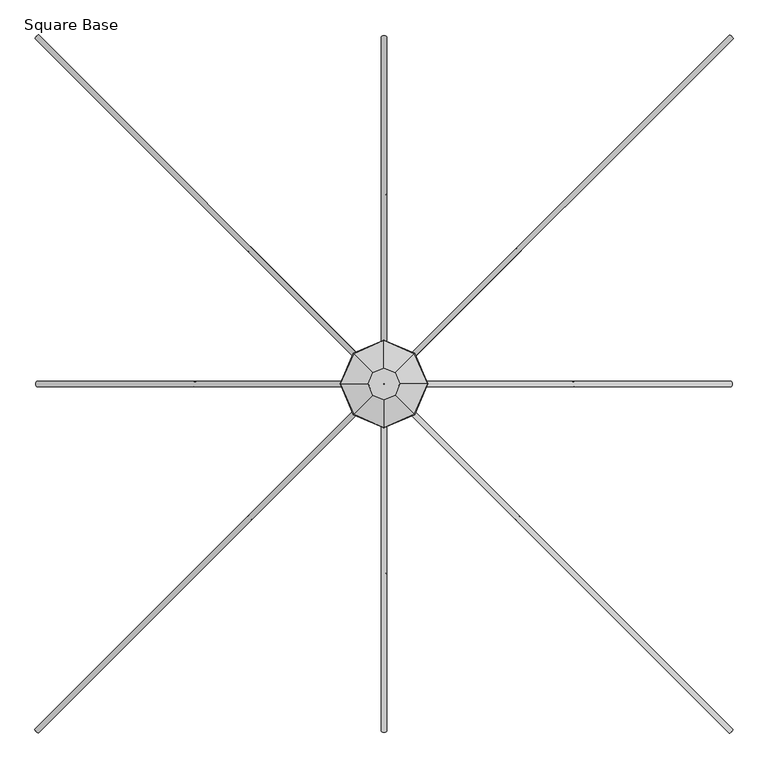
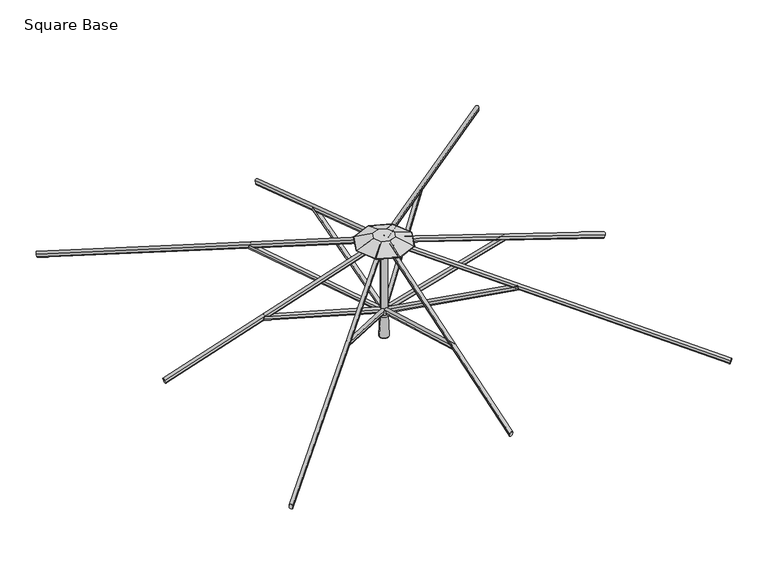
"""IFC4 building model written with IfcOpenShell, lengths in millimetres: furniture geometry, Square Base."""

from ifc_helpers import new_model, si_unit, point, frame, frame_2d, origin, place, context, project, spatial, polyline, circle_curve, ellipse_curve, trimmed, segment, composite_curve, outline, extrude, source, transform, mapped, element, save
from ifc_brep_helpers import plane_surface, cylinder_surface, revolved_surface, advanced_brep


def square_base_0a665b4c(model_context):
    return source(origin(), model_context, "Body", "SolidModel", [
        extrude(outline(composite_curve([segment(polyline([(12.9834408, -8.4804821), (12.9834408, -22.8946349)]), True, "CONTINUOUS"), segment(trimmed(circle_curve(frame_2d((4.0299408, -22.8946349)), 8.9535), [point((12.9834408, -22.8946349))], [point((-4.9235592, -22.8946349))], False, "CARTESIAN"), True, "CONTINUOUS"), segment(polyline([(-4.9235592, -22.8946349), (-4.9235592, -8.4804821)]), True, "CONTINUOUS"), segment(trimmed(circle_curve(frame_2d((4.0299408, -8.4804821)), 8.9535), [point((-4.9235592, -8.4804821))], [point((12.9834408, -8.4804821))], False, "CARTESIAN"), True, "CONTINUOUS")], self_intersect=False)), frame((4.0299408, -32.8443862, 2016.9430412), z_axis=(0.0, -0.9618942046764378, 0.2734219066020191), x_axis=(-1.0, 0.0, 0.0)), (0.0, 0.0, 1.0), 673.1),
        extrude(outline(composite_curve([segment(polyline([(12.9834408, -8.4804821), (12.9834408, -22.8946349)]), True, "CONTINUOUS"), segment(trimmed(circle_curve(frame_2d((4.0299408, -22.8946349)), 8.9535), [point((12.9834408, -22.8946349))], [point((-4.9235592, -22.8946349))], False, "CARTESIAN"), True, "CONTINUOUS"), segment(polyline([(-4.9235592, -22.8946349), (-4.9235592, -8.4804821)]), True, "CONTINUOUS"), segment(trimmed(circle_curve(frame_2d((4.0299408, -8.4804821)), 8.9535), [point((-4.9235592, -8.4804821))], [point((12.9834408, -8.4804821))], False, "CARTESIAN"), True, "CONTINUOUS")], self_intersect=False)), frame((-28.8144454, -8.0598816, 2016.9430412), z_axis=(-0.9618942046764378, 0.0, 0.2734219066020191), x_axis=(0.0, 1.0, 0.0)), (0.0, 0.0, 1.0), 673.1),
        extrude(outline(composite_curve([segment(polyline([(12.9834408, -8.4804821), (12.9834408, -22.8946349)]), True, "CONTINUOUS"), segment(trimmed(circle_curve(frame_2d((4.0299408, -22.8946349)), 8.9535), [point((12.9834408, -22.8946349))], [point((-4.9235592, -22.8946349))], False, "CARTESIAN"), True, "CONTINUOUS"), segment(polyline([(-4.9235592, -22.8946349), (-4.9235592, -8.4804821)]), True, "CONTINUOUS"), segment(trimmed(circle_curve(frame_2d((4.0299408, -8.4804821)), 8.9535), [point((-4.9235592, -8.4804821))], [point((12.9834408, -8.4804821))], False, "CARTESIAN"), True, "CONTINUOUS")], self_intersect=False)), frame((-4.0299408, 24.7845046, 2016.9430412), z_axis=(0.0, 0.9618942046764378, 0.2734219066020191), x_axis=(1.0, 0.0, 0.0)), (0.0, 0.0, 1.0), 673.1),
        extrude(outline(composite_curve([segment(trimmed(circle_curve(frame_2d((4.0299408, 7.3267917)), 8.9535), [point((12.9834408, 7.3267917))], [point((-4.9235592, 7.3267917))], False, "CARTESIAN"), True, "CONTINUOUS"), segment(polyline([(-4.9235592, 7.3267917), (-4.9235592, 21.7411303)]), True, "CONTINUOUS"), segment(trimmed(circle_curve(frame_2d((4.0299408, 21.7411303)), 8.9535), [point((-4.9235592, 21.7411303))], [point((12.9834408, 21.7411303))], False, "CARTESIAN"), True, "CONTINUOUS"), segment(polyline([(12.9834408, 21.7411303), (12.9834408, 7.3267917)]), True, "CONTINUOUS")], self_intersect=False)), frame((4.0299408, -1221.9652781, 2021.9166491), z_axis=(0.0, 0.9498609859621477, 0.31267252413190505), x_axis=(-1.0, 0.0, 0.0)), (0.0, 0.0, 1.0), 1244.6),
        extrude(outline(composite_curve([segment(trimmed(circle_curve(frame_2d((4.0299408, 7.3267917)), 8.9535), [point((12.9834408, 7.3267917))], [point((-4.9235592, 7.3267917))], False, "CARTESIAN"), True, "CONTINUOUS"), segment(polyline([(-4.9235592, 7.3267917), (-4.9235592, 21.7411303)]), True, "CONTINUOUS"), segment(trimmed(circle_curve(frame_2d((4.0299408, 21.7411303)), 8.9535), [point((-4.9235592, 21.7411303))], [point((12.9834408, 21.7411303))], False, "CARTESIAN"), True, "CONTINUOUS"), segment(polyline([(12.9834408, 21.7411303), (12.9834408, 7.3267917)]), True, "CONTINUOUS")], self_intersect=False)), frame((-1217.9353374, -8.0598816, 2021.9166491), z_axis=(0.9498609859621477, 0.0, 0.31267252413190505), x_axis=(0.0, 1.0, 0.0)), (0.0, 0.0, 1.0), 1244.6),
        extrude(outline(composite_curve([segment(trimmed(circle_curve(frame_2d((4.0299408, 7.3267917)), 8.9535), [point((12.9834408, 7.3267917))], [point((-4.9235592, 7.3267917))], False, "CARTESIAN"), True, "CONTINUOUS"), segment(polyline([(-4.9235592, 7.3267917), (-4.9235592, 21.7411303)]), True, "CONTINUOUS"), segment(trimmed(circle_curve(frame_2d((4.0299408, 21.7411303)), 8.9535), [point((-4.9235592, 21.7411303))], [point((12.9834408, 21.7411303))], False, "CARTESIAN"), True, "CONTINUOUS"), segment(polyline([(12.9834408, 21.7411303), (12.9834408, 7.3267917)]), True, "CONTINUOUS")], self_intersect=False)), frame((-4.0299408, 1213.9053966, 2021.9166491), z_axis=(0.0, -0.9498609859621477, 0.31267252413190505), x_axis=(1.0, 0.0, 0.0)), (0.0, 0.0, 1.0), 1244.6),
        extrude(outline(composite_curve([segment(trimmed(circle_curve(frame_2d((4.0299408, 7.3267917)), 8.9535), [point((12.9834408, 7.3267917))], [point((-4.9235592, 7.3267917))], False, "CARTESIAN"), True, "CONTINUOUS"), segment(polyline([(-4.9235592, 7.3267917), (-4.9235592, 21.7411303)]), True, "CONTINUOUS"), segment(trimmed(circle_curve(frame_2d((4.0299408, 21.7411303)), 8.9535), [point((-4.9235592, 21.7411303))], [point((12.9834408, 21.7411303))], False, "CARTESIAN"), True, "CONTINUOUS"), segment(polyline([(12.9834408, 21.7411303), (12.9834408, 7.3267917)]), True, "CONTINUOUS")], self_intersect=False)), frame((1217.9353374, 0.0, 2021.9166491), z_axis=(-0.9498609859621477, 0.0, 0.31267252413190505), x_axis=(0.0, -1.0, 0.0)), (0.0, 0.0, 1.0), 1244.6),
        extrude(outline(composite_curve([segment(polyline([(12.9834408, -8.4804821), (12.9834408, -22.8946349)]), True, "CONTINUOUS"), segment(trimmed(circle_curve(frame_2d((4.0299408, -22.8946349)), 8.9535), [point((12.9834408, -22.8946349))], [point((-4.9235592, -22.8946349))], False, "CARTESIAN"), True, "CONTINUOUS"), segment(polyline([(-4.9235592, -22.8946349), (-4.9235592, -8.4804821)]), True, "CONTINUOUS"), segment(trimmed(circle_curve(frame_2d((4.0299408, -8.4804821)), 8.9535), [point((-4.9235592, -8.4804821))], [point((12.9834408, -8.4804821))], False, "CARTESIAN"), True, "CONTINUOUS")], self_intersect=False)), frame((28.8144454, 0.0, 2016.9430412), z_axis=(0.9618942046764378, 0.0, 0.2734219066020191), x_axis=(0.0, -1.0, 0.0)), (0.0, 0.0, 1.0), 673.1),
        advanced_brep(
        [(26.8238842, -18.7890573, 2024.6742307), (14.1664667, -31.4400989, 2024.6776585), (10.6100443, -27.8783613, 2037.6792269), (23.2062525, -15.1701391, 2037.892041), (483.1587726, -475.2862213, 2274.5550651), (479.5450968, -471.6671448, 2287.7659402), (466.9449327, -484.3755253, 2287.5600613), (470.5013551, -487.9372629, 2274.5584929)],
        [
            (0, 1, circle_curve(frame((20.4951755, -25.1145781, 2024.6759446), z_axis=(-0.6593005683444475, 0.6595350198722701, -0.3610212156408164), x_axis=(0.25523516406405533, -0.2553259273320428, -0.9325576024338803)), 8.947892)),
            (1, 2),
            (2, 3, circle_curve(frame((16.8784819, -21.4965984, 2037.8903271), z_axis=(-0.6593005683444475, 0.6595350198722701, -0.3610212156408164), x_axis=(0.25523516406405533, -0.2553259273320428, -0.9325576024338803)), 8.947892)),
            (3, 0),
            (4, 5),
            (5, 6, circle_curve(frame((473.2133703, -477.9937624, 2287.7711615), z_axis=(0.6593005683444475, -0.6595350198722701, 0.3610212156408164), x_axis=(0.25523516406405533, -0.2553259273320428, -0.9325576024338803)), 8.947892)),
            (6, 7),
            (7, 4, circle_curve(frame((476.8300639, -481.6117421, 2274.556779), z_axis=(0.6593005683444475, -0.6595350198722701, 0.3610212156408164), x_axis=(0.25523516406405533, -0.2553259273320428, -0.9325576024338803)), 8.947892)),
            (0, 4),
            (7, 1),
            (6, 2),
            (5, 3),
        ],
        [
            plane_surface(frame((23.1348629, -27.1730305, 2016.0948177), z_axis=(-0.6593005683444475, 0.6595350198722701, -0.36102121564081635), x_axis=(0.7072324735232987, 0.7069810665032811, 0.0))),
            plane_surface(frame((479.4697512, -483.6701945, 2265.9756521), z_axis=(0.6593005683444475, -0.6595350198722701, 0.36102121564081635), x_axis=(0.7072324735232987, 0.7069810665032811, 0.0))),
            cylinder_surface(frame((20.4951755, -25.1145781, 2024.6759446), z_axis=(-0.6593005683444474, 0.65953501987227, -0.36102121564081635), x_axis=(0.25523516406405533, -0.2553259273320428, -0.9325576024338803)), 8.947892),
            plane_surface(frame((14.1664667, -31.4400989, 2024.6776585), z_axis=(-0.7072848833533947, -0.7069286081989967, 0.0001915453068458972), x_axis=(0.6593005683444475, -0.6595350198722703, 0.36102121564081635))),
            cylinder_surface(frame((16.8784819, -21.4965984, 2037.8903271), z_axis=(-0.6593005683444474, 0.65953501987227, -0.36102121564081635), x_axis=(0.25523516406405533, -0.2553259273320428, -0.9325576024338803)), 8.947892),
            plane_surface(frame((23.2102084, -15.1699808, 2037.8851058), z_axis=(0.7072848833533956, 0.7069286081989957, -0.00019154530684939441), x_axis=(0.6593005683444475, -0.6595350198722701, 0.36102121564081635))),
        ],
        [
            (0, [[1, 2, 3, 4]]),
            (1, [[5, 6, 7, 8]]),
            (2, [[-1, 9, -8, 10]]),
            (3, [[-2, -10, -7, 11]]),
            (4, [[-3, -11, -6, 12]]),
            (5, [[-4, -12, -5, -9]]),
        ],
    ),
        advanced_brep(
        [(-14.7591165, -30.853825, 2024.6742307), (-27.4101582, -18.1964075, 2024.6776585), (-23.8484205, -14.6399851, 2037.6792269), (-11.1401983, -27.2361932, 2037.892041), (-471.2562805, -487.1887134, 2274.5550651), (-467.637204, -483.5750376, 2287.7659402), (-480.3455845, -470.9748735, 2287.5600613), (-483.9073222, -474.5312959, 2274.5584929)],
        [
            (0, 1, circle_curve(frame((-21.0846373, -24.5251163, 2024.6759446), z_axis=(0.6595350198722778, 0.6593005683444398, -0.3610212156408163), x_axis=(-0.2553259273320458, -0.2552351640640522, -0.9325576024338804)), 8.947892)),
            (1, 2),
            (2, 3, circle_curve(frame((-17.4666577, -20.9084227, 2037.8903271), z_axis=(0.6595350198722778, 0.6593005683444398, -0.3610212156408163), x_axis=(-0.2553259273320458, -0.2552351640640522, -0.9325576024338804)), 8.947892)),
            (3, 0),
            (4, 5),
            (5, 6, circle_curve(frame((-473.9638217, -477.2433111, 2287.7711615), z_axis=(-0.6595350198722778, -0.6593005683444398, 0.3610212156408163), x_axis=(-0.2553259273320458, -0.2552351640640522, -0.9325576024338804)), 8.947892)),
            (6, 7),
            (7, 4, circle_curve(frame((-477.5818013, -480.8600046, 2274.556779), z_axis=(-0.6595350198722778, -0.6593005683444398, 0.3610212156408163), x_axis=(-0.2553259273320458, -0.2552351640640522, -0.9325576024338804)), 8.947892)),
            (0, 4),
            (7, 1),
            (6, 2),
            (5, 3),
        ],
        [
            plane_surface(frame((-23.1430898, -27.1648036, 2016.0948177), z_axis=(0.6595350198722779, 0.65930056834444, -0.36102121564081635), x_axis=(0.7069810665032729, -0.7072324735233069, 0.0))),
            plane_surface(frame((-479.6402538, -483.499692, 2265.9756521), z_axis=(-0.6595350198722779, -0.65930056834444, 0.36102121564081635), x_axis=(0.7069810665032729, -0.7072324735233069, 0.0))),
            cylinder_surface(frame((-21.0846373, -24.5251163, 2024.6759446), z_axis=(0.6595350198722779, 0.65930056834444, -0.36102121564081635), x_axis=(-0.2553259273320458, -0.2552351640640522, -0.9325576024338804)), 8.947892),
            plane_surface(frame((-27.4101582, -18.1964075, 2024.6776585), z_axis=(-0.7069286081989883, 0.7072848833534031, 0.0001915453068458972), x_axis=(-0.659535019872278, -0.6593005683444396, 0.3610212156408163))),
            cylinder_surface(frame((-17.4666577, -20.9084227, 2037.8903271), z_axis=(0.6595350198722779, 0.65930056834444, -0.36102121564081635), x_axis=(-0.2553259273320458, -0.2552351640640522, -0.9325576024338804)), 8.947892),
            plane_surface(frame((-11.14004, -27.2401492, 2037.8851058), z_axis=(0.7069286081989873, -0.7072848833534039, -0.00019154530684947768), x_axis=(-0.6595350198722779, -0.6593005683444397, 0.36102121564081635))),
        ],
        [
            (0, [[1, 2, 3, 4]]),
            (1, [[5, 6, 7, 8]]),
            (2, [[-1, 9, -8, 10]]),
            (3, [[-2, -10, -7, 11]]),
            (4, [[-3, -11, -6, 12]]),
            (5, [[-4, -12, -5, -9]]),
        ],
    ),
        advanced_brep(
        [(-26.8238842, 10.7291757, 2024.6742307), (-14.1664667, 23.3802174, 2024.6776585), (-10.6100443, 19.8184798, 2037.6792269), (-23.2062525, 7.1102575, 2037.892041), (-483.1587726, 467.2263397, 2274.5550651), (-479.5450968, 463.6072632, 2287.7659402), (-466.9449327, 476.3156438, 2287.5600613), (-470.5013551, 479.8773814, 2274.5584929)],
        [
            (0, 1, circle_curve(frame((-20.4951755, 17.0546966, 2024.6759446), z_axis=(0.6593005683444452, -0.6595350198722726, -0.36102121564081635), x_axis=(-0.25523516406405433, 0.2553259273320437, -0.9325576024338804)), 8.947892)),
            (1, 2),
            (2, 3, circle_curve(frame((-16.8784819, 13.4367169, 2037.8903271), z_axis=(0.6593005683444452, -0.6595350198722726, -0.36102121564081635), x_axis=(-0.25523516406405433, 0.2553259273320437, -0.9325576024338804)), 8.947892)),
            (3, 0),
            (4, 5),
            (5, 6, circle_curve(frame((-473.2133703, 469.9338809, 2287.7711615), z_axis=(-0.6593005683444452, 0.6595350198722726, 0.36102121564081635), x_axis=(-0.25523516406405433, 0.2553259273320437, -0.9325576024338804)), 8.947892)),
            (6, 7),
            (7, 4, circle_curve(frame((-476.8300639, 473.5518606, 2274.556779), z_axis=(-0.6593005683444452, 0.6595350198722726, 0.36102121564081635), x_axis=(-0.25523516406405433, 0.2553259273320437, -0.9325576024338804)), 8.947892)),
            (0, 4),
            (7, 1),
            (6, 2),
            (5, 3),
        ],
        [
            plane_surface(frame((-23.1348629, 19.113149, 2016.0948177), z_axis=(0.6593005683444451, -0.6595350198722725, -0.3610212156408163), x_axis=(-0.7072324735233012, -0.7069810665032785, 0.0))),
            plane_surface(frame((-479.4697512, 475.610313, 2265.9756521), z_axis=(-0.6593005683444451, 0.6595350198722725, 0.3610212156408163), x_axis=(-0.7072324735233012, -0.7069810665032785, 0.0))),
            cylinder_surface(frame((-20.4951755, 17.0546966, 2024.6759446), z_axis=(0.6593005683444452, -0.6595350198722726, -0.36102121564081635), x_axis=(-0.25523516406405433, 0.2553259273320437, -0.9325576024338804)), 8.947892),
            plane_surface(frame((-14.1664667, 23.3802174, 2024.6776585), z_axis=(0.7072848833533973, 0.7069286081989941, 0.00019154530684586946), x_axis=(-0.6593005683444451, 0.6595350198722726, 0.36102121564081635))),
            cylinder_surface(frame((-16.8784819, 13.4367169, 2037.8903271), z_axis=(0.6593005683444452, -0.6595350198722726, -0.36102121564081635), x_axis=(-0.25523516406405433, 0.2553259273320437, -0.9325576024338804)), 8.947892),
            plane_surface(frame((-23.2102084, 7.1100992, 2037.8851058), z_axis=(-0.7072848833533983, -0.7069286081989931, -0.00019154530684931115), x_axis=(-0.6593005683444451, 0.6595350198722727, 0.36102121564081635))),
        ],
        [
            (0, [[1, 2, 3, 4]]),
            (1, [[5, 6, 7, 8]]),
            (2, [[-1, 9, -8, 10]]),
            (3, [[-2, -10, -7, 11]]),
            (4, [[-3, -11, -6, 12]]),
            (5, [[-4, -12, -5, -9]]),
        ],
    ),
        advanced_brep(
        [(14.7591165, 22.7939434, 2024.6742307), (27.4101582, 10.136526, 2024.6776585), (23.8484205, 6.5801035, 2037.6792269), (11.1401983, 19.1763117, 2037.892041), (471.2562805, 479.1288318, 2274.5550651), (467.637204, 475.515156, 2287.7659402), (480.3455845, 462.9149919, 2287.5600613), (483.9073222, 466.4714143, 2274.5584929)],
        [
            (0, 1, circle_curve(frame((21.0846373, 16.4652347, 2024.6759446), z_axis=(-0.6595350198722671, -0.6593005683444505, -0.3610212156408163), x_axis=(0.2553259273320415, 0.2552351640640565, -0.9325576024338803)), 8.947892)),
            (1, 2),
            (2, 3, circle_curve(frame((17.4666577, 12.8485411, 2037.8903271), z_axis=(-0.6595350198722671, -0.6593005683444505, -0.3610212156408163), x_axis=(0.2553259273320415, 0.2552351640640565, -0.9325576024338803)), 8.947892)),
            (3, 0),
            (4, 5),
            (5, 6, circle_curve(frame((473.9638217, 469.1834295, 2287.7711615), z_axis=(0.6595350198722671, 0.6593005683444505, 0.3610212156408163), x_axis=(0.2553259273320415, 0.2552351640640565, -0.9325576024338803)), 8.947892)),
            (6, 7),
            (7, 4, circle_curve(frame((477.5818013, 472.8001231, 2274.556779), z_axis=(0.6595350198722671, 0.6593005683444505, 0.3610212156408163), x_axis=(0.2553259273320415, 0.2552351640640565, -0.9325576024338803)), 8.947892)),
            (0, 4),
            (7, 1),
            (6, 2),
            (5, 3),
        ],
        [
            plane_surface(frame((23.1430898, 19.1049221, 2016.0948177), z_axis=(-0.6595350198722671, -0.6593005683444505, -0.36102121564081635), x_axis=(-0.7069810665032843, 0.7072324735232954, 0.0))),
            plane_surface(frame((479.6402538, 475.4398105, 2265.9756521), z_axis=(0.6595350198722671, 0.6593005683444505, 0.36102121564081635), x_axis=(-0.7069810665032843, 0.7072324735232954, 0.0))),
            cylinder_surface(frame((21.0846373, 16.4652347, 2024.6759446), z_axis=(-0.659535019872267, -0.6593005683444504, -0.36102121564081624), x_axis=(0.2553259273320415, 0.2552351640640565, -0.9325576024338803)), 8.947892),
            plane_surface(frame((27.4101582, 10.136526, 2024.6776585), z_axis=(0.7069286081989999, -0.7072848833533916, 0.0001915453068457862), x_axis=(0.6595350198722673, 0.6593005683444505, 0.36102121564081635))),
            cylinder_surface(frame((17.4666577, 12.8485411, 2037.8903271), z_axis=(-0.659535019872267, -0.6593005683444504, -0.36102121564081624), x_axis=(0.2553259273320415, 0.2552351640640565, -0.9325576024338803)), 8.947892),
            plane_surface(frame((11.14004, 19.1802676, 2037.8851058), z_axis=(-0.7069286081989989, 0.7072848833533925, -0.00019154530684925564), x_axis=(0.6595350198722673, 0.6593005683444505, 0.36102121564081635))),
        ],
        [
            (0, [[1, 2, 3, 4]]),
            (1, [[5, 6, 7, 8]]),
            (2, [[-1, 9, -8, 10]]),
            (3, [[-2, -10, -7, 11]]),
            (4, [[-3, -11, -6, 12]]),
            (5, [[-4, -12, -5, -9]]),
        ],
    ),
        extrude(outline(composite_curve([segment(trimmed(circle_curve(frame_2d((0.0454337, -8.9661607)), 8.9535016), [point((-8.9080678, -8.9644052))], [point((8.9989351, -8.9679161))], False, "CARTESIAN"), True, "CONTINUOUS"), segment(polyline([(8.9989351, -8.9679161), (8.9961217, -23.3170803)]), True, "CONTINUOUS"), segment(trimmed(circle_curve(frame_2d((0.0426203, -23.3153248)), 8.9535016), [point((8.9961217, -23.3170803))], [point((-8.9108812, -23.3135694))], False, "CARTESIAN"), True, "CONTINUOUS"), segment(polyline([(-8.9108812, -23.3135694), (-8.9080678, -8.9644052)]), True, "CONTINUOUS")], self_intersect=False)), frame((1220.3085686, -1224.7212783, 2021.6466591), z_axis=(-0.6887167764887021, 0.688716776488744, 0.22657979514061907), x_axis=(0.707106781186569, 0.707106781186526, 0.0)), (0.0, 0.0, 1.0), 1727.2206122),
        extrude(outline(composite_curve([segment(trimmed(circle_curve(frame_2d((0.0454337, -8.9661607)), 8.9535016), [point((-8.9080678, -8.9644052))], [point((8.9989351, -8.9679161))], False, "CARTESIAN"), True, "CONTINUOUS"), segment(polyline([(8.9989351, -8.9679161), (8.9961218, -23.3170803)]), True, "CONTINUOUS"), segment(trimmed(circle_curve(frame_2d((0.0426203, -23.3153248)), 8.9535016), [point((8.9961218, -23.3170803))], [point((-8.9108812, -23.3135694))], False, "CARTESIAN"), True, "CONTINUOUS"), segment(polyline([(-8.9108812, -23.3135694), (-8.9080678, -8.9644052)]), True, "CONTINUOUS")], self_intersect=False)), frame((-1220.6913375, -1224.3385093, 2021.6466591), z_axis=(0.688716776488752, 0.6887167764886939, 0.2265797951406192), x_axis=(0.7071067811865177, -0.7071067811865773, 0.0)), (0.0, 0.0, 1.0), 1727.2206122),
        extrude(outline(composite_curve([segment(trimmed(circle_curve(frame_2d((0.0454336, -8.9661607)), 8.9535016), [point((-8.9080679, -8.9644052))], [point((8.9989351, -8.9679161))], False, "CARTESIAN"), True, "CONTINUOUS"), segment(polyline([(8.9989351, -8.9679161), (8.9961217, -23.3170803)]), True, "CONTINUOUS"), segment(trimmed(circle_curve(frame_2d((0.0426202, -23.3153248)), 8.9535016), [point((8.9961217, -23.3170803))], [point((-8.9108812, -23.3135694))], False, "CARTESIAN"), True, "CONTINUOUS"), segment(polyline([(-8.9108812, -23.3135694), (-8.9080679, -8.9644052)]), True, "CONTINUOUS")], self_intersect=False)), frame((-1220.3085686, 1216.6613967, 2021.6466591), z_axis=(0.6887167764886996, -0.6887167764887464, 0.22657979514061913), x_axis=(-0.7071067811865716, -0.7071067811865235, 0.0)), (0.0, 0.0, 1.0), 1727.2206122),
        extrude(outline(composite_curve([segment(trimmed(circle_curve(frame_2d((0.0454337, -8.9661607)), 8.9535016), [point((-8.9080678, -8.9644052))], [point((8.9989351, -8.9679161))], False, "CARTESIAN"), True, "CONTINUOUS"), segment(polyline([(8.9989351, -8.9679161), (8.9961217, -23.3170803)]), True, "CONTINUOUS"), segment(trimmed(circle_curve(frame_2d((0.0426203, -23.3153248)), 8.9535016), [point((8.9961217, -23.3170803))], [point((-8.9108812, -23.3135694))], False, "CARTESIAN"), True, "CONTINUOUS"), segment(polyline([(-8.9108812, -23.3135694), (-8.9080678, -8.9644052)]), True, "CONTINUOUS")], self_intersect=False)), frame((1220.6913375, 1216.2786278, 2021.6466591), z_axis=(-0.6887167764887406, -0.6887167764887053, 0.22657979514061916), x_axis=(-0.7071067811865294, 0.7071067811865657, 0.0)), (0.0, 0.0, 1.0), 1727.2206122),
        advanced_brep(
        [(-19.05, -4.0299408, 2413.8101034), (19.05, -4.0299408, 2413.8101034), (19.05, -4.0299408, 2037.8474413), (-19.05, -4.0299408, 2037.8474413), (0.0, -4.0299408, 2413.8101034), (0.0, -4.0299408, 2037.8474413)],
        [
            (0, 1, circle_curve(frame((0.0, -4.0299408, 2413.8101034), z_axis=(0.0, 0.0, -1.0), x_axis=(1.0, 0.0, 0.0)), 19.05)),
            (1, 2),
            (2, 3, circle_curve(frame((0.0, -4.0299408, 2037.8474413), z_axis=(0.0, 0.0, 1.0), x_axis=(1.0, 0.0, 0.0)), 19.05)),
            (3, 0),
            (1, 0, circle_curve(frame((0.0, -4.0299408, 2413.8101034), z_axis=(0.0, 0.0, -1.0), x_axis=(1.0, 0.0, 0.0)), 19.05)),
            (3, 2, circle_curve(frame((0.0, -4.0299408, 2037.8474413), z_axis=(0.0, 0.0, 1.0), x_axis=(1.0, 0.0, 0.0)), 19.05)),
            (4, 1),
            (0, 4),
            (2, 5),
            (5, 3),
        ],
        [
            cylinder_surface(frame((0.0, -4.0299408, 2414.0159748), z_axis=(0.0, 0.0, 1.0), x_axis=(1.0, 0.0, 0.0)), 19.05),
            plane_surface(frame((0.0, -4.0299408, 2413.8101034), z_axis=(0.0, 0.0, 1.0), x_axis=(1.0, 0.0, 0.0))),
            plane_surface(frame((0.0, -4.0299408, 2037.8474413), z_axis=(0.0, 0.0, -1.0), x_axis=(1.0, 0.0, 0.0))),
        ],
        [
            (0, [[1, 2, 3, 4]]),
            (0, [[5, -4, 6, -2]]),
            (1, [[7, -1, 8]]),
            (1, [[-8, -5, -7]]),
            (2, [[-3, 9, 10]]),
            (2, [[-6, -10, -9]]),
        ],
    ),
        advanced_brep(
        [(-24.3041832, -4.0299408, 1872.9627429), (24.3041832, -4.0299408, 1872.9627429), (0.0, -4.0299408, 1872.9627429), (-25.317844, -4.0299408, 1873.9764037), (25.317844, -4.0299408, 1873.9764037), (-20.5098559, -4.0299408, 1995.8898279), (20.5098559, -4.0299408, 1995.8898279), (-23.0187508, -4.0299408, 1995.8898279), (23.0187508, -4.0299408, 1995.8898279), (-30.4482505, -4.0299408, 2013.6380178), (30.4482505, -4.0299408, 2013.6380178), (-30.4482505, -4.0299408, 2039.0380663), (30.4482505, -4.0299408, 2039.0380663), (0.0, -4.0299408, 2039.0380663)],
        [
            (0, 1, circle_curve(frame((0.0, -4.0299408, 1872.9627429), z_axis=(0.0, 0.0, -1.0), x_axis=(1.0, 0.0, 0.0)), 24.3041832)),
            (1, 2),
            (2, 0),
            (1, 0, circle_curve(frame((0.0, -4.0299408, 1872.9627429), z_axis=(0.0, 0.0, -1.0), x_axis=(1.0, 0.0, 0.0)), 24.3041832)),
            (3, 4, circle_curve(frame((0.0, -4.0299408, 1873.9764037), z_axis=(0.0, 0.0, -1.0), x_axis=(1.0, 0.0, 0.0)), 25.317844)),
            (4, 1),
            (0, 3),
            (4, 3, circle_curve(frame((0.0, -4.0299408, 1873.9764037), z_axis=(0.0, 0.0, -1.0), x_axis=(1.0, 0.0, 0.0)), 25.317844)),
            (5, 6, circle_curve(frame((0.0, -4.0299408, 1995.8898279), z_axis=(0.0, 0.0, -1.0), x_axis=(1.0, 0.0, 0.0)), 20.5098559)),
            (6, 4),
            (3, 5),
            (6, 5, circle_curve(frame((0.0, -4.0299408, 1995.8898279), z_axis=(0.0, 0.0, -1.0), x_axis=(1.0, 0.0, 0.0)), 20.5098559)),
            (7, 8, circle_curve(frame((0.0, -4.0299408, 1995.8898279), z_axis=(0.0, 0.0, -1.0), x_axis=(1.0, 0.0, 0.0)), 23.0187508)),
            (8, 6),
            (5, 7),
            (8, 7, circle_curve(frame((0.0, -4.0299408, 1995.8898279), z_axis=(0.0, 0.0, -1.0), x_axis=(1.0, 0.0, 0.0)), 23.0187508)),
            (9, 10, circle_curve(frame((0.0, -4.0299408, 2013.6380178), z_axis=(0.0, 0.0, -1.0), x_axis=(1.0, 0.0, 0.0)), 30.4482505)),
            (10, 8, circle_curve(frame((15.3691688, -4.0299408, 2009.521101), z_axis=(0.0, 1.0, 0.0), x_axis=(1.0, 0.0, 0.0)), 15.6309856)),
            (7, 9, circle_curve(frame((-15.3691688, -4.0299408, 2009.521101), z_axis=(0.0, 1.0, 0.0), x_axis=(-1.0, 0.0, 0.0)), 15.6309856)),
            (10, 9, circle_curve(frame((0.0, -4.0299408, 2013.6380178), z_axis=(0.0, 0.0, -1.0), x_axis=(1.0, 0.0, 0.0)), 30.4482505)),
            (11, 12, circle_curve(frame((0.0, -4.0299408, 2039.0380663), z_axis=(0.0, 0.0, -1.0), x_axis=(1.0, 0.0, 0.0)), 30.4482505)),
            (12, 10, circle_curve(frame((24.5799245, -4.0299408, 2026.338042), z_axis=(0.0, 1.0, 0.0), x_axis=(1.0, 0.0, 0.0)), 13.9902775)),
            (9, 11, circle_curve(frame((-24.5799245, -4.0299408, 2026.338042), z_axis=(0.0, 1.0, 0.0), x_axis=(-1.0, 0.0, 0.0)), 13.9902775)),
            (12, 11, circle_curve(frame((0.0, -4.0299408, 2039.0380663), z_axis=(0.0, 0.0, -1.0), x_axis=(1.0, 0.0, 0.0)), 30.4482505)),
            (13, 12),
            (11, 13),
        ],
        [
            plane_surface(frame((0.0, -4.0299408, 1872.9627429), z_axis=(0.0, 0.0, -1.0), x_axis=(1.0, 0.0, 0.0))),
            revolved_surface(polyline([(24.3041832, -4.0299408, 1872.9627429), (25.317844, -4.0299408, 1873.9764037)]), (0.0, -4.0299408, 2210.5193844), (0.0, 0.0, 1.0)),
            revolved_surface(polyline([(25.317844, -4.0299408, 1873.9764037), (20.5098559, -4.0299408, 1995.8898279)]), (0.0, -4.0299408, 2210.5193844), (0.0, 0.0, 1.0)),
            plane_surface(frame((0.0, -4.0299408, 1995.8898279), z_axis=(0.0, 0.0, -1.0), x_axis=(1.0, 0.0, 0.0))),
            revolved_surface(trimmed(ellipse_curve(frame((15.3691688, -4.0299408, 2009.521101), z_axis=(0.0, -1.0, 0.0), x_axis=(1.0, 0.0, 0.0)), 15.6309856, 15.6309856), [point((23.0187508, -4.0299408, 1995.8898279))], [point((30.4482505, -4.0299408, 2013.6380178))], True, "CARTESIAN"), (0.0, -4.0299408, 2210.5193844), (0.0, 0.0, 1.0)),
            revolved_surface(trimmed(ellipse_curve(frame((24.5799245, -4.0299408, 2026.338042), z_axis=(0.0, -1.0, 0.0), x_axis=(1.0, 0.0, 0.0)), 13.9902775, 13.9902775), [point((30.4482505, -4.0299408, 2013.6380178))], [point((30.4482505, -4.0299408, 2039.0380663))], True, "CARTESIAN"), (0.0, -4.0299408, 2210.5193844), (0.0, 0.0, 1.0)),
            plane_surface(frame((0.0, -4.0299408, 2039.0380663), z_axis=(0.0, 0.0, 1.0), x_axis=(1.0, 0.0, 0.0))),
        ],
        [
            (0, [[1, 2, 3]]),
            (0, [[4, -3, -2]]),
            (1, [[5, 6, -1, 7]]),
            (1, [[8, -7, -4, -6]]),
            (2, [[9, 10, -5, 11]]),
            (2, [[12, -11, -8, -10]]),
            (3, [[13, 14, -9, 15]]),
            (3, [[16, -15, -12, -14]]),
            (4, [[17, 18, -13, 19]]),
            (4, [[20, -19, -16, -18]]),
            (5, [[21, 22, -17, 23]]),
            (5, [[24, -23, -20, -22]]),
            (6, [[25, -21, 26]]),
            (6, [[-26, -24, -25]]),
        ],
    ),
        advanced_brep(
        [(-50.6448461, -4.0299408, 2413.0), (50.6448461, -4.0299408, 2413.0), (0.0, -4.0299408, 2413.0), (-50.6448461, -4.0299408, 2438.4), (50.6448461, -4.0299408, 2438.4), (0.0, -4.0299408, 2438.4)],
        [
            (0, 1, circle_curve(frame((0.0, -4.0299408, 2413.0), z_axis=(0.0, 0.0, -1.0), x_axis=(1.0, 0.0, 0.0)), 50.6448461)),
            (1, 2),
            (2, 0),
            (1, 0, circle_curve(frame((0.0, -4.0299408, 2413.0), z_axis=(0.0, 0.0, -1.0), x_axis=(1.0, 0.0, 0.0)), 50.6448461)),
            (3, 4, circle_curve(frame((0.0, -4.0299408, 2438.4), z_axis=(0.0, 0.0, -1.0), x_axis=(1.0, 0.0, 0.0)), 50.6448461)),
            (4, 1, circle_curve(frame((50.6448461, -4.0299408, 2425.7), z_axis=(0.0, 1.0, 0.0), x_axis=(1.0, 0.0, 0.0)), 12.7)),
            (0, 3, circle_curve(frame((-50.6448461, -4.0299408, 2425.7), z_axis=(0.0, 1.0, 0.0), x_axis=(-1.0, 0.0, 0.0)), 12.7)),
            (4, 3, circle_curve(frame((0.0, -4.0299408, 2438.4), z_axis=(0.0, 0.0, -1.0), x_axis=(1.0, 0.0, 0.0)), 50.6448461)),
            (5, 4),
            (3, 5),
        ],
        [
            plane_surface(frame((0.0, -4.0299408, 2413.0), z_axis=(0.0, 0.0, -1.0), x_axis=(1.0, 0.0, 0.0))),
            revolved_surface(trimmed(ellipse_curve(frame((50.6448461, -4.0299408, 2425.7), z_axis=(0.0, -1.0, 0.0), x_axis=(1.0, 0.0, 0.0)), 12.7, 12.7), [point((50.6448461, -4.0299408, 2413.0))], [point((50.6448461, -4.0299408, 2438.4))], True, "CARTESIAN"), (0.0, -4.0299408, 2520.9500484), (0.0, 0.0, 1.0)),
            plane_surface(frame((0.0, -4.0299408, 2438.4), z_axis=(0.0, 0.0, 1.0), x_axis=(1.0, 0.0, 0.0))),
        ],
        [
            (0, [[1, 2, 3]]),
            (0, [[4, -3, -2]]),
            (1, [[5, 6, -1, 7]]),
            (1, [[8, -7, -4, -6]]),
            (2, [[9, -5, 10]]),
            (2, [[-10, -8, -9]]),
        ],
    ),
        advanced_brep(
        [(56.3535131, -4.0299408, 2463.557476), (39.3168705, 35.2869297, 2463.557476), (0.0, 52.3235723, 2463.557476), (-39.3168705, 35.2869297, 2463.557476), (-56.3535131, -4.0299408, 2463.557476), (-39.3168705, -43.3468112, 2463.557476), (0.0, -60.3834539, 2463.557476), (39.3168705, -43.3468112, 2463.557476), (-0.2799193, -3.7500215, 2463.557476), (0.0, -3.6287279, 2463.557476), (0.2799193, -3.7500215, 2463.557476), (0.4012128, -4.0299408, 2463.557476), (0.2799193, -4.30986, 2463.557476), (0.0, -4.4311536, 2463.557476), (-0.2799193, -4.30986, 2463.557476), (-0.4012128, -4.0299408, 2463.557476), (-29.4465472, 25.4166065, 2449.3082423), (0.0, 38.1762767, 2449.3082423), (29.4465472, 25.4166065, 2449.3082423), (42.2062175, -4.0299408, 2449.3082423), (29.4465472, -33.476488, 2449.3082423), (0.0, -46.2361583, 2449.3082423), (-29.4465472, -33.476488, 2449.3082423), (-42.2062175, -4.0299408, 2449.3082423), (0.4012128, -4.0299408, 2449.3082423), (0.2799193, -3.7500215, 2449.3082423), (0.0, -3.6287279, 2449.3082423), (-0.2799193, -3.7500215, 2449.3082423), (-0.4012128, -4.0299408, 2449.3082423), (-0.2799193, -4.30986, 2449.3082423), (0.0, -4.4311536, 2449.3082423), (0.2799193, -4.30986, 2449.3082423), (-106.4243734, 102.3944326, 2423.9664048), (-152.539794, -4.0299408, 2423.9664048), (-107.0854394, 103.0554986, 2426.5969984), (-153.4873108, -4.0299408, 2426.5969984), (-106.4243734, -110.4543142, 2423.9664048), (-107.0854394, -111.1153802, 2426.5969984), (0.0, -156.5697348, 2423.9664048), (0.0, -157.5172515, 2426.5969984), (106.4243734, -110.4543142, 2423.9664048), (107.0854394, -111.1153802, 2426.5969984), (152.539794, -4.0299408, 2423.9664048), (153.4873108, -4.0299408, 2426.5969984), (106.4243734, 102.3944326, 2423.9664048), (107.0854394, 103.0554986, 2426.5969984), (0.0, 148.5098533, 2423.9664048), (0.0, 149.45737, 2426.5969984)],
        [
            (0, 1),
            (1, 2),
            (2, 3),
            (3, 4),
            (4, 5),
            (5, 6),
            (6, 7),
            (7, 0),
            (8, 9),
            (9, 10),
            (10, 11),
            (11, 12),
            (12, 13),
            (13, 14),
            (14, 15),
            (15, 8),
            (16, 17),
            (17, 18),
            (18, 19),
            (19, 20),
            (20, 21),
            (21, 22),
            (22, 23),
            (23, 16),
            (24, 25),
            (25, 26),
            (26, 27),
            (27, 28),
            (28, 29),
            (29, 30),
            (30, 31),
            (31, 24),
            (27, 8),
            (15, 28),
            (14, 29),
            (13, 30),
            (12, 31),
            (11, 24),
            (10, 25),
            (9, 26),
            (32, 16),
            (23, 33),
            (33, 32),
            (34, 32, ellipse_curve(frame((-106.680847, 102.6509063, 2425.3138919), z_axis=(-0.7071067811865479, -0.707106781186547, 0.0), x_axis=(-0.7071067811865467, 0.7071067811865482, 0.0)), 1.4936871, 1.3890625)),
            (33, 35, ellipse_curve(frame((-152.9074019, -4.0299408, 2425.3138919), z_axis=(0.0, 0.9999999999999999, 0.0), x_axis=(1.0, 0.0, 0.0)), 1.5138634, 1.3890625)),
            (35, 34),
            (3, 34),
            (35, 4),
            (22, 36),
            (36, 33),
            (36, 37, ellipse_curve(frame((-106.680847, -110.7107878, 2425.3138919), z_axis=(-0.707106781186547, 0.707106781186548, 0.0), x_axis=(0.7071067811865479, 0.707106781186547, 0.0)), 1.4936871, 1.3890625)),
            (37, 35),
            (37, 5),
            (21, 38),
            (38, 36),
            (38, 39, ellipse_curve(frame((0.0, -156.9373427, 2425.3138919), z_axis=(-0.9999999999999999, 0.0, 0.0), x_axis=(0.0, 1.0, 0.0)), 1.5138634, 1.3890625)),
            (39, 37),
            (39, 6),
            (20, 40),
            (40, 38),
            (40, 41, ellipse_curve(frame((106.680847, -110.7107878, 2425.3138919), z_axis=(-0.707106781186548, -0.707106781186547, 0.0), x_axis=(-0.7071067811865469, 0.7071067811865481, 0.0)), 1.4936871, 1.3890625)),
            (41, 39),
            (41, 7),
            (19, 42),
            (42, 40),
            (42, 43, ellipse_curve(frame((152.9074019, -4.0299408, 2425.3138919), z_axis=(0.0, -1.0, 0.0), x_axis=(-1.0, 0.0, 0.0)), 1.5138634, 1.3890625)),
            (43, 41),
            (43, 0),
            (18, 44),
            (44, 42),
            (44, 45, ellipse_curve(frame((106.680847, 102.6509063, 2425.3138919), z_axis=(0.707106781186547, -0.707106781186548, 0.0), x_axis=(-0.7071067811865478, -0.7071067811865471, 0.0)), 1.4936871, 1.3890625)),
            (45, 43),
            (45, 1),
            (17, 46),
            (46, 44),
            (46, 47, ellipse_curve(frame((0.0, 148.8774612, 2425.3138919), z_axis=(0.9999999999999999, 0.0, 0.0), x_axis=(0.0, -1.0, 0.0)), 1.5138634, 1.3890625)),
            (47, 45),
            (47, 2),
            (32, 46),
            (34, 47),
        ],
        [
            plane_surface(frame((0.0, 52.3235723, 2463.557476), z_axis=(0.0, 0.0, 1.0), x_axis=(-0.9175613115760062, -0.39759431522460087, 0.0))),
            plane_surface(frame((0.0, -3.6287279, 2449.3082423), z_axis=(0.0, 0.0, -1.0000000000000002), x_axis=(-0.9175613115759853, -0.3975943152246493, 0.0))),
            plane_surface(frame((-0.2799193, -3.7500215, 2463.557476), z_axis=(0.91756131157602, -0.39759431522456923, 0.0), x_axis=(-0.39759431522456923, -0.91756131157602, 0.0))),
            plane_surface(frame((-0.4012128, -4.0299408, 2463.557476), z_axis=(0.9175613115759897, 0.39759431522463884, 0.0), x_axis=(0.39759431522463884, -0.9175613115759897, 0.0))),
            plane_surface(frame((-0.2799193, -4.30986, 2463.557476), z_axis=(0.3975943152245762, 0.9175613115760168, 0.0), x_axis=(0.9175613115760168, -0.3975943152245762, 0.0))),
            plane_surface(frame((0.0, -4.4311536, 2463.557476), z_axis=(-0.3975943152246069, 0.9175613115760036, 0.0), x_axis=(0.9175613115760036, 0.3975943152246069, 0.0))),
            plane_surface(frame((0.2799193, -4.30986, 2463.557476), z_axis=(-0.9175613115759845, 0.39759431522465083, 0.0), x_axis=(0.39759431522465083, 0.9175613115759845, 0.0))),
            plane_surface(frame((0.4012128, -4.0299408, 2463.557476), z_axis=(-0.917561311576034, -0.3975943152245367, 0.0), x_axis=(-0.3975943152245367, 0.917561311576034, 0.0))),
            plane_surface(frame((0.2799193, -3.7500215, 2463.557476), z_axis=(-0.397594315224599, -0.9175613115760071, 0.0), x_axis=(-0.9175613115760071, 0.397594315224599, 0.0))),
            plane_surface(frame((0.0, -3.6287279, 2463.557476), z_axis=(0.3975943152245901, -0.9175613115760108, 0.0), x_axis=(-0.9175613115760108, -0.3975943152245901, 0.0))),
            plane_surface(frame((-29.4465472, 25.4166065, 2449.3082423), z_axis=(0.22280925803229304, -0.09654689365759427, -0.9700694469264397), x_axis=(-0.39759431522460253, -0.9175613115760055, 0.0))),
            cylinder_surface(frame((-106.6947209, 102.6188884, 2425.3138919), z_axis=(0.3975943152246023, 0.9175613115760056, 0.0), x_axis=(0.9175613115760056, -0.3975943152246023, 0.0)), 1.3890625),
            plane_surface(frame((-107.0854394, 103.0554986, 2426.5969984), z_axis=(-0.3514860662024898, 0.15230465805356702, 0.9237211897540758), x_axis=(-0.39759431522460226, -0.9175613115760056, 0.0))),
            plane_surface(frame((-42.2062175, -4.0299408, 2449.3082423), z_axis=(0.22280925803229332, 0.09654689365759361, -0.9700694469264396), x_axis=(0.39759431522459987, -0.9175613115760066, 0.0))),
            cylinder_surface(frame((-152.8921963, -4.065032, 2425.3138919), z_axis=(-0.39759431522459965, 0.9175613115760068, 0.0), x_axis=(0.9175613115760068, 0.39759431522459965, 0.0)), 1.3890625),
            plane_surface(frame((-153.4873108, -4.0299408, 2426.5969984), z_axis=(-0.3514860662024901, -0.15230465805356602, 0.9237211897540758), x_axis=(0.39759431522459976, -0.9175613115760067, 0.0))),
            plane_surface(frame((-29.4465472, -33.476488, 2449.3082423), z_axis=(0.09654689365759396, 0.22280925803229312, -0.9700694469264396), x_axis=(0.9175613115760061, -0.39759431522460137, 0.0))),
            cylinder_surface(frame((-106.6488292, -110.7246617, 2425.3138919), z_axis=(-0.9175613115760063, 0.3975943152246009, 0.0), x_axis=(0.3975943152246009, 0.9175613115760063, 0.0)), 1.3890625),
            plane_surface(frame((-107.0854394, -111.1153802, 2426.5969984), z_axis=(-0.15230465805356655, -0.3514860662024899, 0.9237211897540757), x_axis=(0.9175613115760062, -0.3975943152246011, 0.0))),
            plane_surface(frame((0.0, -46.2361583, 2449.3082423), z_axis=(-0.09654689365759385, 0.22280925803229318, -0.9700694469264397), x_axis=(0.9175613115760063, 0.3975943152246009, 0.0))),
            cylinder_surface(frame((0.0350912, -156.9221371, 2425.3138919), z_axis=(-0.9175613115760062, -0.3975943152246011, 0.0), x_axis=(-0.3975943152246011, 0.9175613115760062, 0.0)), 1.3890625),
            plane_surface(frame((0.0, -157.5172515, 2426.5969984), z_axis=(0.15230465805356644, -0.3514860662024899, 0.9237211897540756), x_axis=(0.9175613115760062, 0.3975943152246008, 0.0))),
            plane_surface(frame((29.4465472, -33.476488, 2449.3082423), z_axis=(-0.22280925803229298, 0.09654689365759413, -0.9700694469264397), x_axis=(0.3975943152246021, 0.9175613115760056, 0.0))),
            cylinder_surface(frame((106.6947209, -110.67877, 2425.3138919), z_axis=(-0.3975943152246023, -0.9175613115760057, 0.0), x_axis=(-0.9175613115760057, 0.3975943152246023, 0.0)), 1.3890625),
            plane_surface(frame((107.0854394, -111.1153802, 2426.5969984), z_axis=(0.3514860662024897, -0.15230465805356708, 0.9237211897540756), x_axis=(0.3975943152246025, 0.9175613115760055, 0.0))),
            plane_surface(frame((42.2062175, -4.0299408, 2449.3082423), z_axis=(-0.22280925803229323, -0.09654689365759356, -0.9700694469264396), x_axis=(-0.3975943152245998, 0.9175613115760067, 0.0))),
            cylinder_surface(frame((152.8921963, -3.9948496, 2425.3138919), z_axis=(0.39759431522459965, -0.9175613115760066, 0.0), x_axis=(-0.9175613115760066, -0.39759431522459965, 0.0)), 1.3890625),
            plane_surface(frame((153.4873108, -4.0299408, 2426.5969984), z_axis=(0.3514860662024901, 0.15230465805356605, 0.9237211897540758), x_axis=(-0.3975943152245998, 0.9175613115760067, 0.0))),
            plane_surface(frame((29.4465472, 25.4166065, 2449.3082423), z_axis=(-0.09654689365759399, -0.22280925803229296, -0.9700694469264395), x_axis=(-0.9175613115760058, 0.39759431522460165, 0.0))),
            cylinder_surface(frame((106.6488292, 102.6647801, 2425.3138919), z_axis=(0.9175613115760062, -0.3975943152246008, 0.0), x_axis=(-0.3975943152246008, -0.9175613115760062, 0.0)), 1.3890625),
            plane_surface(frame((107.0854394, 103.0554986, 2426.5969984), z_axis=(0.15230465805356647, 0.3514860662024899, 0.9237211897540758), x_axis=(-0.9175613115760062, 0.3975943152246009, 0.0))),
            plane_surface(frame((0.0, 38.1762767, 2449.3082423), z_axis=(0.0965468936575939, -0.22280925803229307, -0.9700694469264396), x_axis=(-0.9175613115760061, -0.3975943152246012, 0.0))),
            cylinder_surface(frame((-0.0350912, 148.8622556, 2425.3138919), z_axis=(0.9175613115760061, 0.39759431522460115, 0.0), x_axis=(0.39759431522460115, -0.9175613115760061, 0.0)), 1.3890625),
            plane_surface(frame((0.0, 149.45737, 2426.5969984), z_axis=(-0.15230465805356655, 0.3514860662024899, 0.9237211897540757), x_axis=(-0.9175613115760062, -0.3975943152246011, 0.0))),
        ],
        [
            (0, [[1, 2, 3, 4, 5, 6, 7, 8], [9, 10, 11, 12, 13, 14, 15, 16]]),
            (1, [[17, 18, 19, 20, 21, 22, 23, 24], [25, 26, 27, 28, 29, 30, 31, 32]]),
            (2, [[33, -16, 34, -28]]),
            (3, [[-34, -15, 35, -29]]),
            (4, [[-35, -14, 36, -30]]),
            (5, [[-36, -13, 37, -31]]),
            (6, [[-37, -12, 38, -32]]),
            (7, [[-38, -11, 39, -25]]),
            (8, [[-39, -10, 40, -26]]),
            (9, [[-40, -9, -33, -27]]),
            (10, [[41, -24, 42, 43]]),
            (11, [[44, -43, 45, 46]]),
            (12, [[47, -46, 48, -4]]),
            (13, [[-42, -23, 49, 50]]),
            (14, [[-45, -50, 51, 52]]),
            (15, [[-48, -52, 53, -5]]),
            (16, [[-49, -22, 54, 55]]),
            (17, [[-51, -55, 56, 57]]),
            (18, [[-53, -57, 58, -6]]),
            (19, [[-54, -21, 59, 60]]),
            (20, [[-56, -60, 61, 62]]),
            (21, [[-58, -62, 63, -7]]),
            (22, [[-59, -20, 64, 65]]),
            (23, [[-61, -65, 66, 67]]),
            (24, [[-63, -67, 68, -8]]),
            (25, [[-64, -19, 69, 70]]),
            (26, [[-66, -70, 71, 72]]),
            (27, [[-68, -72, 73, -1]]),
            (28, [[-69, -18, 74, 75]]),
            (29, [[-71, -75, 76, 77]]),
            (30, [[-73, -77, 78, -2]]),
            (31, [[-74, -17, -41, 79]]),
            (32, [[-76, -79, -44, 80]]),
            (33, [[-78, -80, -47, -3]]),
        ],
    ),
    ])


if __name__ == "__main__":
    model = new_model("IFC4")
    model_context = context("Model", 3, world=origin())
    ifc_project = project(units=[si_unit("LENGTHUNIT", "METRE", prefix="MILLI")], contexts=[model_context])
    site = spatial("IfcSite", under=ifc_project)
    building = spatial("IfcBuilding", under=site)
    placement = place(None, origin())
    square_base_shape = square_base_0a665b4c(model_context)
    element("IfcFurniture", 1, ObjectType="Square Base", at=placement, inside=building, context=model_context, shape_type="MappedRepresentation", body=[
        mapped(square_base_shape, transform((0.0, 0.0, 0.0), x_axis=(1.0, 0.0, 0.0), y_axis=(0.0, 1.0, 0.0), z_axis=(0.0, 0.0, 1.0))),
    ])
    save(model, "model.ifc")
